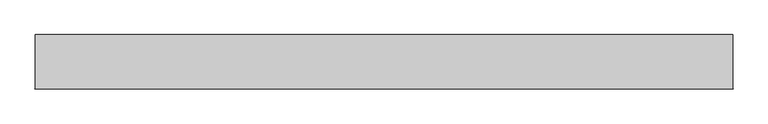
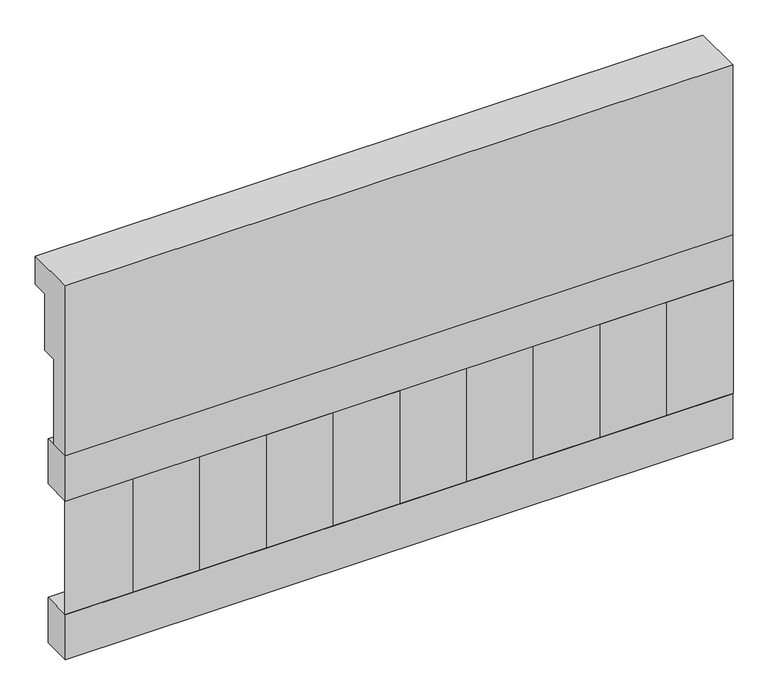
"""IFC4 building model written with IfcOpenShell, lengths in millimetres: railing geometry."""

from ifc_helpers import new_model, si_unit, frame, origin, place, context, project, spatial, polyline, outline, extrude, source, transform, mapped, element, save


def railing_9746ef12(model_context):
    return source(origin(), model_context, "Body", "SweptSolid", [
        extrude(outline(polyline([(903.1079487, 15200.0), (1033.1079487, 15200.0), (1033.1079487, 15125.0), (993.1079487, 15125.0), (993.1079487, 14975.0), (953.1079487, 14975.0), (953.1079487, 14750.0), (903.1079487, 14750.0), (903.1079487, 15200.0)])), frame((29560.0112841, 0.0, 0.0), z_axis=(1.0, 0.0, 0.0), x_axis=(0.0, 1.0, 0.0)), (0.0, 0.0, 1.0), 1670.0),
        extrude(outline(polyline([(31230.0112841, 978.1079487), (31230.0112841, 903.1079487), (29560.0112841, 903.1079487), (29560.0112841, 978.1079487), (31230.0112841, 978.1079487)])), frame((0.0, 0.0, 14630.0), z_axis=(0.0, 0.0, 1.0), x_axis=(1.0, 0.0, 0.0)), (0.0, 0.0, 1.0), 120.0),
        extrude(outline(polyline([(31230.0112841, 978.1079487), (31230.0112841, 903.1079487), (29560.0112841, 903.1079487), (29560.0112841, 978.1079487), (31230.0112841, 978.1079487)])), frame((0.0, 0.0, 14210.0), z_axis=(0.0, 0.0, 1.0), x_axis=(1.0, 0.0, 0.0)), (0.0, 0.0, 1.0), 120.0),
        extrude(outline(polyline([(29643.5112841, 987.9607624), (29728.3640978, 903.1079487), (29558.6584704, 903.1079487), (29643.5112841, 987.9607624)])), frame((0.0, 0.0, 14330.0), z_axis=(0.0, 0.0, 1.0), x_axis=(1.0, 0.0, 0.0)), (0.0, 0.0, 1.0), 300.0),
        extrude(outline(polyline([(29810.5112841, 987.9607624), (29895.3640978, 903.1079487), (29725.6584704, 903.1079487), (29810.5112841, 987.9607624)])), frame((0.0, 0.0, 14330.0), z_axis=(0.0, 0.0, 1.0), x_axis=(1.0, 0.0, 0.0)), (0.0, 0.0, 1.0), 300.0),
        extrude(outline(polyline([(29977.5112841, 987.9607624), (30062.3640978, 903.1079487), (29892.6584704, 903.1079487), (29977.5112841, 987.9607624)])), frame((0.0, 0.0, 14330.0), z_axis=(0.0, 0.0, 1.0), x_axis=(1.0, 0.0, 0.0)), (0.0, 0.0, 1.0), 300.0),
        extrude(outline(polyline([(30144.5112841, 987.9607624), (30229.3640978, 903.1079487), (30059.6584704, 903.1079487), (30144.5112841, 987.9607624)])), frame((0.0, 0.0, 14330.0), z_axis=(0.0, 0.0, 1.0), x_axis=(1.0, 0.0, 0.0)), (0.0, 0.0, 1.0), 300.0),
        extrude(outline(polyline([(30311.5112841, 987.9607624), (30396.3640978, 903.1079487), (30226.6584704, 903.1079487), (30311.5112841, 987.9607624)])), frame((0.0, 0.0, 14330.0), z_axis=(0.0, 0.0, 1.0), x_axis=(1.0, 0.0, 0.0)), (0.0, 0.0, 1.0), 300.0),
        extrude(outline(polyline([(30478.5112841, 987.9607624), (30563.3640978, 903.1079487), (30393.6584704, 903.1079487), (30478.5112841, 987.9607624)])), frame((0.0, 0.0, 14330.0), z_axis=(0.0, 0.0, 1.0), x_axis=(1.0, 0.0, 0.0)), (0.0, 0.0, 1.0), 300.0),
        extrude(outline(polyline([(30645.5112841, 987.9607624), (30730.3640978, 903.1079487), (30560.6584704, 903.1079487), (30645.5112841, 987.9607624)])), frame((0.0, 0.0, 14330.0), z_axis=(0.0, 0.0, 1.0), x_axis=(1.0, 0.0, 0.0)), (0.0, 0.0, 1.0), 300.0),
        extrude(outline(polyline([(30812.5112841, 987.9607624), (30897.3640978, 903.1079487), (30727.6584704, 903.1079487), (30812.5112841, 987.9607624)])), frame((0.0, 0.0, 14330.0), z_axis=(0.0, 0.0, 1.0), x_axis=(1.0, 0.0, 0.0)), (0.0, 0.0, 1.0), 300.0),
        extrude(outline(polyline([(30979.5112841, 987.9607624), (31064.3640978, 903.1079487), (30894.6584704, 903.1079487), (30979.5112841, 987.9607624)])), frame((0.0, 0.0, 14330.0), z_axis=(0.0, 0.0, 1.0), x_axis=(1.0, 0.0, 0.0)), (0.0, 0.0, 1.0), 300.0),
        extrude(outline(polyline([(31146.5112841, 987.9607624), (31231.3640978, 903.1079487), (31061.6584704, 903.1079487), (31146.5112841, 987.9607624)])), frame((0.0, 0.0, 14330.0), z_axis=(0.0, 0.0, 1.0), x_axis=(1.0, 0.0, 0.0)), (0.0, 0.0, 1.0), 300.0),
    ])


if __name__ == "__main__":
    model = new_model("IFC4")
    model_context = context("Model", 3, world=origin())
    ifc_project = project(units=[si_unit("LENGTHUNIT", "METRE", prefix="MILLI")], contexts=[model_context])
    site = spatial("IfcSite", under=ifc_project)
    building = spatial("IfcBuilding", under=site)
    placement = place(None, origin())
    railing_shape = railing_9746ef12(model_context)
    element("IfcRailing", 1, at=placement, inside=building, context=model_context, shape_type="MappedRepresentation", body=[
        mapped(railing_shape, transform((0.0, 0.0, 0.0), x_axis=(1.0, 0.0, 0.0), y_axis=(0.0, 1.0, 0.0), z_axis=(0.0, 0.0, 1.0))),
    ])
    save(model, "model.ifc")
